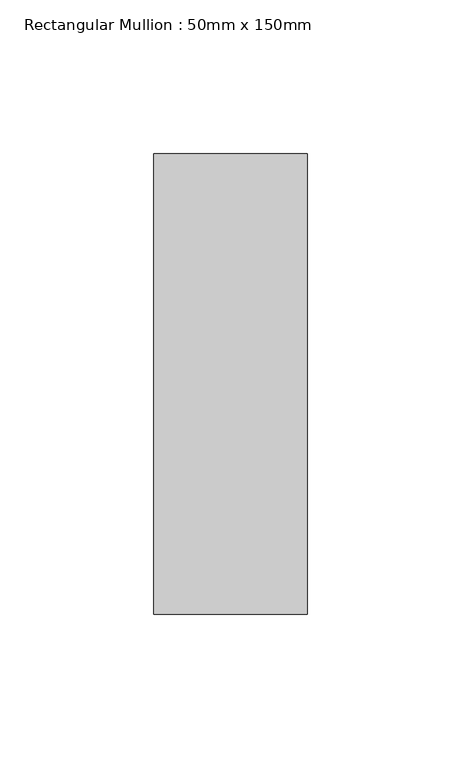
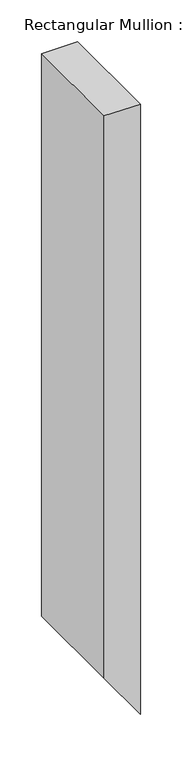
"""IFC4 building model written with IfcOpenShell, lengths in millimetres: member geometry, Rectangular Mullion : 50mm x 150mm."""

from ifc_helpers import new_model, si_unit, point, frame, frame_2d, origin, place, context, project, spatial, polyline, circle_curve, trimmed, segment, composite_curve, outline, extrude, source, transform, mapped, element, save


def rectangular_mullion_50mm_x_150mm_022a79e1(model_context):
    return source(origin(), model_context, "Body", "SweptSolid", [
        extrude(outline(composite_curve([segment(polyline([(0.0, 25.0), (0.0, -25.0), (-821.9818246, -25.0)]), True, "CONTINUOUS"), segment(trimmed(circle_curve(frame_2d((3226.8533559, 5704.079353)), 7015.3700225), [point((-821.9818246, -25.0))], [point((-891.8204906, 25.0))], False, "CARTESIAN"), True, "CONTINUOUS"), segment(polyline([(-891.8204906, 25.0), (0.0, 25.0)]), True, "CONTINUOUS")], self_intersect=False)), frame((0.0, -75.0, 0.0), z_axis=(0.0, 1.0, 0.0), x_axis=(0.0, 0.0, 1.0)), (0.0, 0.0, 1.0), 150.0),
    ])


if __name__ == "__main__":
    model = new_model("IFC4")
    model_context = context("Model", 3, world=origin())
    ifc_project = project(units=[si_unit("LENGTHUNIT", "METRE", prefix="MILLI")], contexts=[model_context])
    site = spatial("IfcSite", under=ifc_project)
    building = spatial("IfcBuilding", under=site)
    placement = place(None, origin())
    rectangular_mullion_50mm_x_150mm_shape = rectangular_mullion_50mm_x_150mm_022a79e1(model_context)
    element("IfcMember", 1, ObjectType="Rectangular Mullion : 50mm x 150mm", at=placement, inside=building, context=model_context, shape_type="MappedRepresentation", body=[
        mapped(rectangular_mullion_50mm_x_150mm_shape, transform((0.0, 0.0, 0.0), x_axis=(1.0, 0.0, 0.0), y_axis=(0.0, 1.0, 0.0), z_axis=(0.0, 0.0, 1.0))),
    ])
    save(model, "model.ifc")
